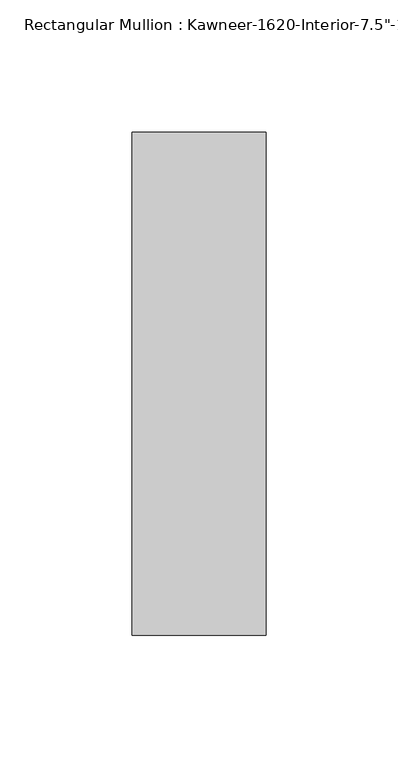
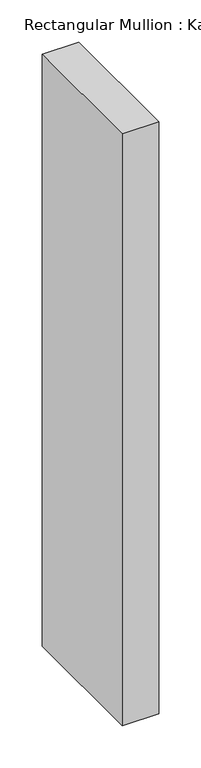
"""IFC4 building model written with IfcOpenShell, lengths in millimetres: member geometry."""

from ifc_helpers import new_model, si_unit, frame, origin, place, context, project, spatial, polyline, outline, extrude, source, transform, mapped, element, save


def member_dabba275(model_context):
    return source(origin(), model_context, "Body", "SweptSolid", [
        extrude(outline(polyline([(25.4, -152.4), (-25.4, -152.4), (-25.4, 38.1), (25.4, 38.1), (25.4, -152.4)])), frame((0.0, 0.0, -860.5651949), z_axis=(0.0, 0.0, 1.0), x_axis=(1.0, 0.0, 0.0)), (0.0, 0.0, 1.0), 860.5651949),
    ])


if __name__ == "__main__":
    model = new_model("IFC4")
    model_context = context("Model", 3, world=origin())
    ifc_project = project(units=[si_unit("LENGTHUNIT", "METRE", prefix="MILLI")], contexts=[model_context])
    site = spatial("IfcSite", under=ifc_project)
    building = spatial("IfcBuilding", under=site)
    placement = place(None, origin())
    member_shape = member_dabba275(model_context)
    element("IfcMember", 1, ObjectType="Rectangular Mullion : Kawneer-1620-Interior-7.5\"-1\"Infill", at=placement, inside=building, context=model_context, shape_type="MappedRepresentation", body=[
        mapped(member_shape, transform((0.0, 0.0, 0.0), x_axis=(1.0, 0.0, 0.0), y_axis=(0.0, 1.0, 0.0), z_axis=(0.0, 0.0, 1.0))),
    ])
    save(model, "model.ifc")
